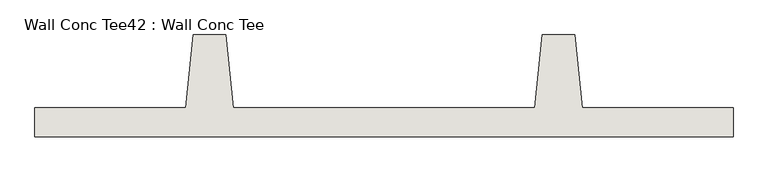
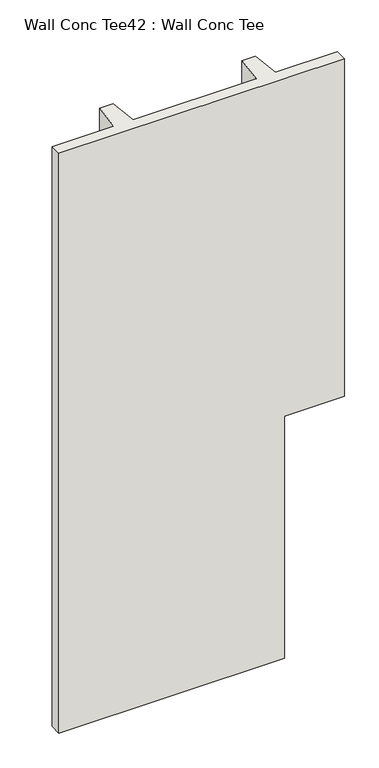
"""IFC4 building model written with IfcOpenShell, lengths in millimetres: wall geometry, Wall Conc Tee42 : Wall Conc Tee."""

from ifc_helpers import new_model, si_unit, origin, place, context, project, spatial, faceted_brep, source, transform, mapped, element, save


def wall_conc_tee42_wall_conc_tee_3c4b0056(model_context):
    return source(origin(), model_context, "Body", "Brep", [
        faceted_brep([(234557.0728488, 180886.8596581, 5376.1679688), (236995.4728488, 180886.8596581, 5376.1679688), (236995.4728488, 180988.4596581, 5376.1679688), (236468.4228488, 180988.4596581, 5376.1679688), (236443.0228488, 181242.4596581, 5376.1679688), (236328.7228488, 181242.4596581, 5376.1679688), (236303.3228488, 180988.4596581, 5376.1679688), (235249.2228488, 180988.4596581, 5376.1679688), (235223.8228488, 181242.4596581, 5376.1679688), (235109.5228488, 181242.4596581, 5376.1679688), (235084.1228488, 180988.4596581, 5376.1679688), (234557.0728488, 180988.4596581, 5376.1679688), (236443.0228488, 181242.4596581, 143.7592564), (236468.4228488, 180988.4596581, 143.7592564), (236482.7103485, 180988.4596581, 143.7592564), (236482.7103485, 180886.8596581, 143.7592564), (234557.0728488, 180886.8596581, 143.7592564), (234557.0728488, 180988.4596581, 143.7592564), (235084.1228488, 180988.4596581, 143.7592564), (235109.5228488, 181242.4596581, 143.7592564), (235223.8228488, 181242.4596581, 143.7592564), (235249.2228488, 180988.4596581, 143.7592564), (236303.3228488, 180988.4596581, 143.7592564), (236328.7228488, 181242.4596581, 143.7592564), (236482.7103485, 180886.8596581, 2328.1592564), (236995.4728488, 180886.8596581, 2328.1592564), (236995.4728488, 180988.4596581, 2328.1592564), (236482.7103485, 180988.4596581, 2328.1592564)], [[[0, 1, 2, 3, 4, 5, 6, 7, 8, 9, 10, 11]], [[12, 13, 14, 15, 16, 17, 18, 19, 20, 21, 22, 23]], [[1, 0, 16, 15, 24, 25]], [[0, 11, 17, 16]], [[11, 10, 18, 17]], [[10, 9, 19, 18]], [[9, 8, 20, 19]], [[8, 7, 21, 20]], [[7, 6, 22, 21]], [[6, 5, 23, 22]], [[5, 4, 12, 23]], [[4, 3, 13, 12]], [[3, 2, 26, 27, 14, 13]], [[2, 1, 25, 26]], [[24, 27, 26, 25]], [[27, 24, 15, 14]]]),
    ])


if __name__ == "__main__":
    model = new_model("IFC4")
    model_context = context("Model", 3, world=origin())
    ifc_project = project(units=[si_unit("LENGTHUNIT", "METRE", prefix="MILLI")], contexts=[model_context])
    site = spatial("IfcSite", under=ifc_project)
    building = spatial("IfcBuilding", under=site)
    placement = place(None, origin())
    wall_conc_tee42_wall_conc_tee_shape = wall_conc_tee42_wall_conc_tee_3c4b0056(model_context)
    element("IfcWall", 1, ObjectType="Wall Conc Tee42 : Wall Conc Tee", at=placement, inside=building, context=model_context, shape_type="MappedRepresentation", body=[
        mapped(wall_conc_tee42_wall_conc_tee_shape, transform((0.0, 0.0, 0.0), x_axis=(1.0, 0.0, 0.0), y_axis=(0.0, 1.0, 0.0), z_axis=(0.0, 0.0, 1.0))),
    ])
    save(model, "model.ifc")
